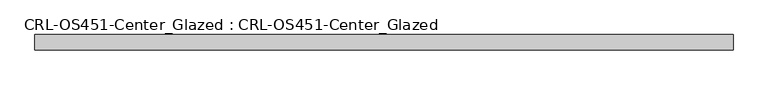
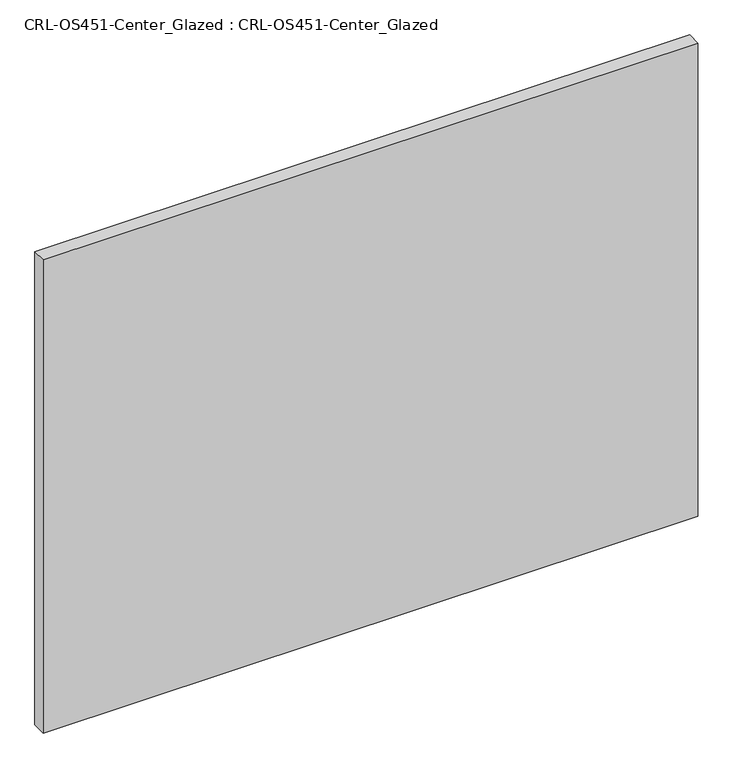
"""IFC4 building model written with IfcOpenShell, lengths in millimetres: plate geometry, CRL-OS451-Center_Glazed : CRL-OS451-Center_Glazed."""

from ifc_helpers import new_model, si_unit, origin, origin_with_axes, place, context, project, spatial, polyline, outline, extrude, source, transform, mapped, element, save


def crl_os451_center_glazed_crl_os451_center_glazed_19144232(model_context):
    return source(origin(), model_context, "Body", "SweptSolid", [
        extrude(outline(polyline([(-584.6211699, 12.709956), (584.6211699, 12.709956), (584.6211699, -12.709956), (-584.6211699, -12.709956), (-584.6211699, 12.709956)])), origin_with_axes(), (0.0, 0.0, 1.0), 893.4410342),
    ])


if __name__ == "__main__":
    model = new_model("IFC4")
    model_context = context("Model", 3, world=origin())
    ifc_project = project(units=[si_unit("LENGTHUNIT", "METRE", prefix="MILLI")], contexts=[model_context])
    site = spatial("IfcSite", under=ifc_project)
    building = spatial("IfcBuilding", under=site)
    placement = place(None, origin())
    crl_os451_center_glazed_crl_os451_center_glazed_shape = crl_os451_center_glazed_crl_os451_center_glazed_19144232(model_context)
    element("IfcPlate", 1, ObjectType="CRL-OS451-Center_Glazed : CRL-OS451-Center_Glazed", at=placement, inside=building, context=model_context, shape_type="MappedRepresentation", body=[
        mapped(crl_os451_center_glazed_crl_os451_center_glazed_shape, transform((0.0, 0.0, 0.0), x_axis=(1.0, 0.0, 0.0), y_axis=(0.0, 1.0, 0.0), z_axis=(0.0, 0.0, 1.0))),
    ])
    save(model, "model.ifc")
